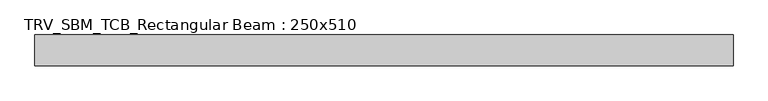
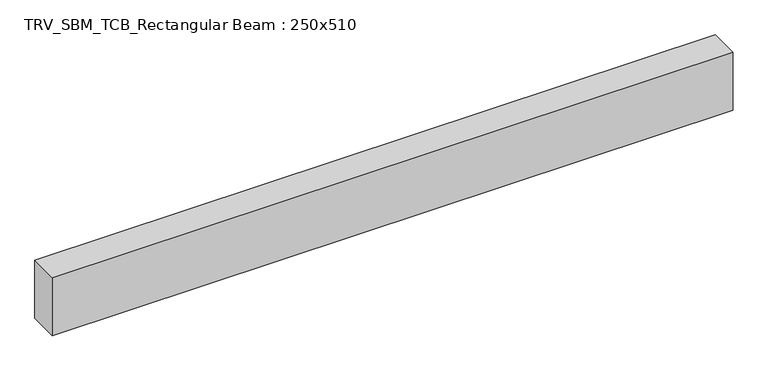
"""IFC4 building model written with IfcOpenShell, lengths in millimetres: beam geometry, TRV_SBM_TCB_Rectangular Beam : 250x510."""

from ifc_helpers import new_model, si_unit, frame, origin, place, context, project, spatial, polyline, outline, extrude, source, transform, mapped, element, save


def trv_sbm_tcb_rectangular_beam_250x510_120de9f3(model_context):
    return source(origin(), model_context, "Body", "SweptSolid", [
        extrude(outline(polyline([(2829.7, 125.0), (2829.7, -125.0), (-2829.7, -125.0), (-2829.7, 125.0), (2829.7, 125.0)])), frame((0.0, 0.0, -255.0), z_axis=(0.0, 0.0, 1.0), x_axis=(1.0, 0.0, 0.0)), (0.0, 0.0, 1.0), 510.0),
    ])


if __name__ == "__main__":
    model = new_model("IFC4")
    model_context = context("Model", 3, world=origin())
    ifc_project = project(units=[si_unit("LENGTHUNIT", "METRE", prefix="MILLI")], contexts=[model_context])
    site = spatial("IfcSite", under=ifc_project)
    building = spatial("IfcBuilding", under=site)
    placement = place(None, origin())
    trv_sbm_tcb_rectangular_beam_250x510_shape = trv_sbm_tcb_rectangular_beam_250x510_120de9f3(model_context)
    element("IfcBeam", 1, ObjectType="TRV_SBM_TCB_Rectangular Beam : 250x510", at=placement, inside=building, context=model_context, shape_type="MappedRepresentation", body=[
        mapped(trv_sbm_tcb_rectangular_beam_250x510_shape, transform((0.0, 0.0, 0.0), x_axis=(1.0, 0.0, 0.0), y_axis=(0.0, 1.0, 0.0), z_axis=(0.0, 0.0, 1.0))),
    ])
    save(model, "model.ifc")
